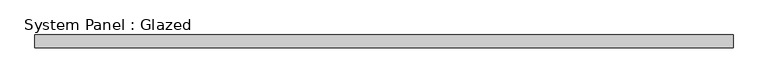
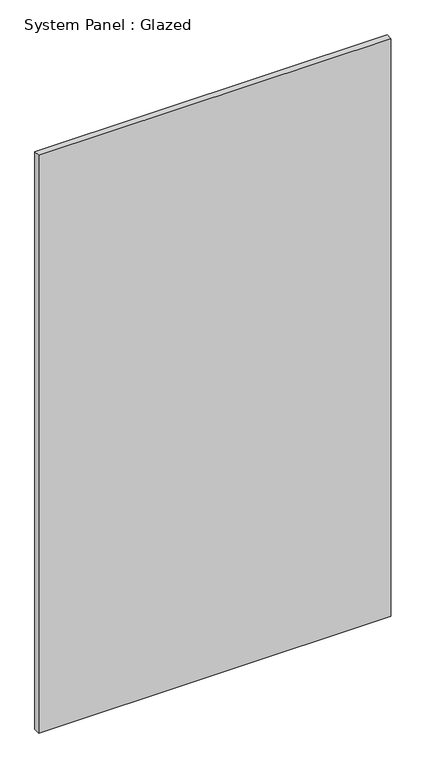
"""IFC4 building model written with IfcOpenShell, lengths in millimetres: plate geometry, System Panel : Glazed."""

from ifc_helpers import new_model, si_unit, origin, origin_with_axes, place, context, project, spatial, polyline, outline, extrude, source, transform, mapped, element, save


def system_panel_glazed_da6e18cf(model_context):
    return source(origin(), model_context, "Body", "SweptSolid", [
        extrude(outline(polyline([(684.7416668, 19.05), (-684.7416668, 19.05), (-684.7416668, 44.45), (684.7416668, 44.45), (684.7416668, 19.05)])), origin_with_axes(), (0.0, 0.0, 1.0), 2374.9),
    ])


if __name__ == "__main__":
    model = new_model("IFC4")
    model_context = context("Model", 3, world=origin())
    ifc_project = project(units=[si_unit("LENGTHUNIT", "METRE", prefix="MILLI")], contexts=[model_context])
    site = spatial("IfcSite", under=ifc_project)
    building = spatial("IfcBuilding", under=site)
    placement = place(None, origin())
    system_panel_glazed_shape = system_panel_glazed_da6e18cf(model_context)
    element("IfcPlate", 1, ObjectType="System Panel : Glazed", at=placement, inside=building, context=model_context, shape_type="MappedRepresentation", body=[
        mapped(system_panel_glazed_shape, transform((0.0, 0.0, 0.0), x_axis=(1.0, 0.0, 0.0), y_axis=(0.0, 1.0, 0.0), z_axis=(0.0, 0.0, 1.0))),
    ])
    save(model, "model.ifc")
